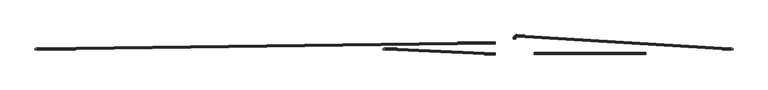
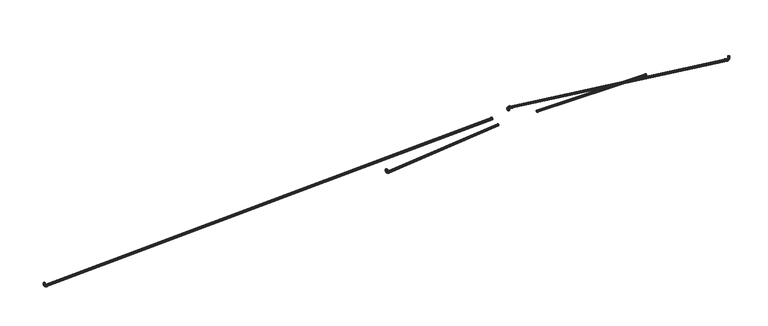
"""IFC4 building model written with IfcOpenShell, lengths in millimetres: furniture geometry."""

from ifc_helpers import new_model, si_unit, origin, place, context, project, spatial, triangles, source, transform, mapped, element, save


def furniture_a16567a5(model_context):
    return source(origin(), model_context, "Body", "Tessellation", [
        triangles([(-1327.6882908, 2.8514631, -105.7244424), (-1327.0947224, 3.153083, -104.2968406), (-1323.9364849, 3.153083, -104.9293147), (-1324.0877838, 2.8514631, -106.4454649), (-1328.1914577, 1.9925228, -106.9346974), (-1324.216119, 1.9925228, -107.7307971), (-1328.5276291, 0.7070277, -107.743369), (-1324.3018696, 0.7070277, -108.5896291), (-1328.6456451, -0.8093172, -108.027336), (-1324.331955, -0.8093172, -108.8912095), (-1328.5276291, -2.325662, -107.743369), (-1324.3018696, -2.325662, -108.5896291), (-1328.1914577, -3.6111571, -106.9346974), (-1324.216119, -3.6111571, -107.7307971), (-1327.6882908, -4.4700973, -105.7244424), (-1324.0877838, -4.4700973, -106.4454649), (-1327.0947224, -4.7717172, -104.2968406), (-1323.9364849, -4.7717172, -104.9293147), (-1326.5012993, -4.4700973, -102.8692479), (-1323.785186, -4.4700973, -103.4131645), (-1325.9981323, -3.6111571, -101.6589929), (-1323.6569962, -3.6111571, -102.1278414), (-1325.661961, -2.325662, -100.8503213), (-1323.5712456, -2.325662, -101.2690094), (-1325.5439449, -0.8093172, -100.5663543), (-1323.5411602, -0.8093172, -100.967429), (-1325.661961, 0.7070277, -100.8503213), (-1323.5712456, 0.7070277, -101.2690094), (-1325.9981323, 1.9925228, -101.6589929), (-1323.6569962, 1.9925228, -102.1278414), (-1326.5012993, 2.8514631, -102.8692479), (-1323.785186, 2.8514631, -103.4131645), (-1330.8652771, 2.8514631, -103.5957115), (-1329.7705765, 3.153083, -102.5039086), (-1331.7931274, 1.9925228, -104.5213), (-1332.4132931, 0.7070277, -105.1397579), (-1332.6310123, -0.8093172, -105.3569321), (-1332.4132931, -2.325662, -105.1397579), (-1331.7931274, -3.6111571, -104.5213), (-1330.8652771, -4.4700973, -103.5957115), (-1329.7705765, -4.7717172, -102.5039086), (-1328.6758759, -4.4700973, -101.4121057), (-1327.7478802, -3.6111571, -100.4865172), (-1327.1278599, -2.325662, -99.8680593), (-1326.9101406, -0.8093172, -99.6508851), (-1327.1278599, 0.7070277, -99.8680593), (-1327.7478802, 1.9925228, -100.4865172), (-1328.6758759, 2.8514631, -101.4121057), (-1332.9856419, 2.8514631, -100.413275), (-1331.556514, 3.153083, -99.8234763), (-1334.1971958, 1.9925228, -100.9132717), (-1335.0067394, 0.7070277, -101.2473719), (-1335.2910244, -0.8093172, -101.3646885), (-1335.0067394, -2.325662, -101.2473719), (-1334.1971958, -3.6111571, -100.9132717), (-1332.9856419, -4.4700973, -100.413275), (-1331.556514, -4.7717172, -99.8234763), (-1330.1273861, -4.4700973, -99.2336867), (-1328.9158321, -3.6111571, -98.7336809), (-1328.1062885, -2.325662, -98.3995897), (-1327.8220036, -0.8093172, -98.2822731), (-1328.1062885, 0.7070277, -98.3995897), (-1328.9158321, 1.9925228, -98.7336809), (-1330.1273861, 2.8514631, -99.2336867), (-1333.6973717, 2.8514631, -96.8109967), (-1332.1808945, 3.153083, -96.6636128), (-1334.983049, 1.9925228, -96.9359345), (-1335.8420082, 0.7070277, -97.0194142), (-1336.143734, -0.8093172, -97.0487365), (-1335.8420082, -2.325662, -97.0194142), (-1334.983049, -3.6111571, -96.9359345), (-1333.6973717, -4.4700973, -96.8109967), (-1332.1808945, -4.7717172, -96.6636128), (-1330.6642719, -4.4700973, -96.5162381), (-1329.3785946, -3.6111571, -96.3912912), (-1328.5196354, -2.325662, -96.3078115), (-1328.2179096, -0.8093172, -96.2784892), (-1328.5196354, 0.7070277, -96.3078115), (-1329.3785946, 1.9925228, -96.3912912), (-1330.6642719, 2.8514631, -96.5162381), (-1333.6749893, 2.8514631, -91.7647022), (-1332.1585121, 3.153083, -91.7666734), (-1334.960376, 1.9925228, -91.7630399), (-1335.8193352, 0.7070277, -91.7619226), (-1336.1209156, -0.8093172, -91.761532), (-1335.8193352, -2.325662, -91.7619226), (-1334.960376, -3.6111571, -91.7630399), (-1333.6749893, -4.4700973, -91.7647022), (-1332.1585121, -4.7717172, -91.7666734), (-1330.6421803, -4.4700973, -91.7686355), (-1329.3567936, -3.6111571, -91.7703069), (-1328.4978344, -2.325662, -91.7714242), (-1328.1961086, -0.8093172, -91.7718148), (-1328.4978344, 0.7070277, -91.7714242), (-1329.3567936, 1.9925228, -91.7703069), (-1330.6421803, 2.8514631, -91.7686355), (453.4001593, -15.4508238, -43.9244038), (453.3981608, -15.7524428, -45.4407447), (29.605147, 2.8514631, -106.4454649), (29.7564595, 3.153083, -104.9293147), (453.3964894, -16.6113839, -46.7262404), (29.4768686, 1.9925228, -107.7307971), (453.3953994, -17.8968784, -47.5851814), (29.3911566, 0.7070277, -108.5896291), (453.3949997, -19.4132227, -47.8867982), (29.3610576, -0.8093172, -108.8912095), (453.3953994, -20.9295682, -47.5851814), (29.3911566, -2.325662, -108.5896291), (453.3964894, -22.2150639, -46.7262404), (29.4768686, -3.6111571, -107.7307971), (453.3981608, -23.0740027, -45.4407447), (29.605147, -4.4700973, -106.4454649), (453.4001593, -23.375624, -43.9244038), (29.7564595, -4.7717172, -104.9293147), (453.4021214, -23.0740027, -42.4080583), (29.9077743, -4.4700973, -103.4131645), (453.4037928, -22.2150639, -41.1225626), (30.0360527, -3.6111571, -102.1278414), (453.4048828, -20.9295682, -40.2636261), (30.1217647, -2.325662, -101.2690094), (453.4052825, -19.4132227, -39.9620048), (30.1518637, -0.8093172, -100.967429), (453.4048828, -17.8968784, -40.2636261), (30.1217647, 0.7070277, -101.2690094), (453.4037928, -16.6113839, -41.1225626), (30.0360527, 1.9925228, -102.1278414), (453.4021214, -15.7524428, -42.4080583), (29.9077743, 2.8514631, -103.4131645), (26.0047263, 2.8514631, -105.7244424), (26.5982266, 3.153083, -104.2968406), (25.5015798, 1.9925228, -106.9346974), (25.165388, 0.7070277, -107.743369), (25.0473333, -0.8093172, -108.027336), (25.165388, -2.325662, -107.743369), (25.5015798, -3.6111571, -106.9346974), (26.0047263, -4.4700973, -105.7244424), (26.5982266, -4.7717172, -104.2968406), (27.1917269, -4.4700973, -102.8692479), (27.6948734, -3.6111571, -101.6589929), (28.0310652, -2.325662, -100.8503213), (28.1491198, -0.8093172, -100.5663543), (28.0310652, 0.7070277, -100.8503213), (27.6948734, 1.9925228, -101.6589929), (27.1917269, 2.8514631, -102.8692479), (22.8277945, 2.8514631, -103.5957115), (23.9224361, 3.153083, -102.5039086), (21.8998033, 1.9925228, -104.5213), (21.2797376, 0.7070277, -105.1397579), (21.0620002, -0.8093172, -105.3569321), (21.2797376, -2.325662, -105.1397579), (21.8998033, -3.6111571, -104.5213), (22.8277945, -4.4700973, -103.5957115), (23.9224361, -4.7717172, -102.5039086), (25.0170776, -4.4700973, -101.4121057), (25.9450688, -3.6111571, -100.4865172), (26.5651345, -2.325662, -99.8680593), (26.7828719, -0.8093172, -99.6508851), (26.5651345, 0.7070277, -99.8680593), (25.9450688, 1.9925228, -100.4865172), (25.0170776, 2.8514631, -101.4121057), (20.7073207, 2.8514631, -100.413275), (22.1364531, 3.153083, -99.8234763), (19.4957622, 1.9925228, -100.9132717), (18.6862231, 0.7070277, -101.2473719), (18.4019507, -0.8093172, -101.3646885), (18.6862231, -2.325662, -101.2473719), (19.4957622, -3.6111571, -100.9132717), (20.7073207, -4.4700973, -100.413275), (22.1364531, -4.7717172, -99.8234763), (23.5655856, -4.4700973, -99.2336867), (24.7771441, -3.6111571, -98.7336809), (25.5866831, -2.325662, -98.3995897), (25.8709545, -0.8093172, -98.2822731), (25.5866831, 0.7070277, -98.3995897), (24.7771441, 1.9925228, -98.7336809), (23.5655856, 2.8514631, -99.2336867), (19.9956409, 2.8514631, -96.8109967), (21.5121771, 3.153083, -96.6636128), (18.7099828, 1.9925228, -96.9359345), (17.8509328, 0.7070277, -97.0194142), (17.5492752, -0.8093172, -97.0487365), (17.8509328, -2.325662, -97.0194142), (18.7099828, -3.6111571, -96.9359345), (19.9956409, -4.4700973, -96.8109967), (21.5121771, -4.7717172, -96.6636128), (23.0287156, -4.4700973, -96.5162381), (24.3143748, -3.6111571, -96.3912912), (25.1734226, -2.325662, -96.3078115), (25.4750802, -0.8093172, -96.2784892), (25.1734226, 0.7070277, -96.3078115), (24.3143748, 1.9925228, -96.3912912), (23.0287156, 2.8514631, -96.5162381), (20.01808, 2.8514631, -91.7647022), (21.5344232, 3.153083, -91.7666734), (18.7325866, 1.9925228, -91.7630399), (17.8736467, 0.7070277, -91.7619226), (17.5720277, -0.8093172, -91.761532), (17.8736467, -2.325662, -91.7619226), (18.7325866, -3.6111571, -91.7630399), (20.01808, -4.4700973, -91.7647022), (21.5344232, -4.7717172, -91.7666734), (23.0507664, -4.4700973, -91.7686355), (24.3362621, -3.6111571, -91.7703069), (25.1952008, -2.325662, -91.7714242), (25.4968199, -0.8093172, -91.7718148), (25.1952008, 0.7070277, -91.7714242), (24.3362621, 1.9925228, -91.7703069), (23.0507664, 2.8514631, -91.7686355), (1370.7571735, -4.4700973, -105.7244424), (1370.1636051, -4.7717172, -104.2968406), (1367.0053677, -4.7717172, -104.9293147), (1367.1566666, -4.4700973, -106.4454649), (1371.2601952, -3.6111571, -106.9346974), (1367.2850018, -3.6111571, -107.7307971), (1371.5965118, -2.325662, -107.743369), (1367.3707523, -2.325662, -108.5896291), (1371.7145279, -0.8093172, -108.027336), (1367.4008377, -0.8093172, -108.8912095), (1371.5965118, 0.7070277, -107.743369), (1367.3707523, 0.7070277, -108.5896291), (1371.2601952, 1.9925228, -106.9346974), (1367.2850018, 1.9925228, -107.7307971), (1370.7571735, 2.8514631, -105.7244424), (1367.1566666, 2.8514631, -106.4454649), (1370.1636051, 3.153083, -104.2968406), (1367.0053677, 3.153083, -104.9293147), (1369.570182, 2.8514631, -102.8692479), (1366.8540688, 2.8514631, -103.4131645), (1369.0670151, 1.9925228, -101.6589929), (1366.7257336, 1.9925228, -102.1278414), (1368.7308437, 0.7070277, -100.8503213), (1366.6401283, 0.7070277, -101.2690094), (1368.6126823, -0.8093172, -100.5663543), (1366.610043, -0.8093172, -100.967429), (1368.7308437, -2.325662, -100.8503213), (1366.6401283, -2.325662, -101.2690094), (1369.0670151, -3.6111571, -101.6589929), (1366.7257336, -3.6111571, -102.1278414), (1369.570182, -4.4700973, -102.8692479), (1366.8540688, -4.4700973, -103.4131645), (1373.9340145, -4.4700973, -103.5957115), (1372.8394592, -4.7717172, -102.5039086), (1374.8620102, -3.6111571, -104.5213), (1375.4821758, -2.325662, -105.1397579), (1375.6998951, -0.8093172, -105.3569321), (1375.4821758, 0.7070277, -105.1397579), (1374.8620102, 1.9925228, -104.5213), (1373.9340145, 2.8514631, -103.5957115), (1372.8394592, 3.153083, -102.5039086), (1371.7447586, 2.8514631, -101.4121057), (1370.8167629, 1.9925228, -100.4865172), (1370.1967426, 0.7070277, -99.8680593), (1369.9790234, -0.8093172, -99.6508851), (1370.1967426, -2.325662, -99.8680593), (1370.8167629, -3.6111571, -100.4865172), (1371.7447586, -4.4700973, -101.4121057), (1376.0545246, -4.4700973, -100.413275), (1374.6253967, -4.7717172, -99.8234763), (1377.2660786, -3.6111571, -100.9132717), (1378.0756222, -2.325662, -101.2473719), (1378.3599072, -0.8093172, -101.3646885), (1378.0756222, 0.7070277, -101.2473719), (1377.2660786, 1.9925228, -100.9132717), (1376.0545246, 2.8514631, -100.413275), (1374.6253967, 3.153083, -99.8234763), (1373.1962688, 2.8514631, -99.2336867), (1371.9847149, 1.9925228, -98.7336809), (1371.1751713, 0.7070277, -98.3995897), (1370.8908863, -0.8093172, -98.2822731), (1371.1751713, -2.325662, -98.3995897), (1371.9847149, -3.6111571, -98.7336809), (1373.1962688, -4.4700973, -99.2336867), (1376.7662544, -4.4700973, -96.8109967), (1375.2496319, -4.7717172, -96.6636128), (1378.0519318, -3.6111571, -96.9359345), (1378.910891, -2.325662, -97.0194142), (1379.2126167, -0.8093172, -97.0487365), (1378.910891, 0.7070277, -97.0194142), (1378.0519318, 1.9925228, -96.9359345), (1376.7662544, 2.8514631, -96.8109967), (1375.2496319, 3.153083, -96.6636128), (1373.7331547, 2.8514631, -96.5162381), (1372.4474773, 1.9925228, -96.3912912), (1371.5883728, 0.7070277, -96.3078115), (1371.2867924, -0.8093172, -96.2784892), (1371.5883728, -2.325662, -96.3078115), (1372.4474773, -3.6111571, -96.3912912), (1373.7331547, -4.4700973, -96.5162381), (1376.7437267, -4.4700973, -91.7647022), (1375.2273949, -4.7717172, -91.7666734), (1378.0292587, -3.6111571, -91.7630399), (1378.8882179, -2.325662, -91.7619226), (1379.1897984, -0.8093172, -91.761532), (1378.8882179, 0.7070277, -91.7619226), (1378.0292587, 1.9925228, -91.7630399), (1376.7437267, 2.8514631, -91.7647022), (1375.2273949, 3.153083, -91.7666734), (1373.711063, 2.8514631, -91.7686355), (1372.425531, 1.9925228, -91.7703069), (1371.5665718, 0.7070277, -91.7714242), (1371.2649914, -0.8093172, -91.7718148), (1371.5665718, -2.325662, -91.7714242), (1372.425531, -3.6111571, -91.7703069), (1373.711063, -4.4700973, -91.7686355), (605.8177454, -21.7909482, -42.3306057), (605.8197075, -21.4893269, -43.8469512), (1039.0019875, -21.4893269, -43.8344656), (1039.0028595, -21.7909482, -42.3183154), (605.8213789, -20.6303882, -45.1324423), (1039.0017694, -20.6303882, -45.1197977), (605.8225053, -19.3448925, -45.9913833), (1039.0018421, -19.3448925, -45.9786252), (605.8228686, -17.828547, -46.2930046), (1039.0030048, -17.828547, -46.2802056), (605.8225053, -16.3122027, -45.9913833), (1039.0018421, -16.3122027, -45.9786252), (605.8213789, -15.026707, -45.1324423), (1039.0017694, -15.026707, -45.1197977), (605.8197075, -14.1677671, -43.8469512), (1039.0019875, -14.1677671, -43.8344656), (605.8177454, -13.8661469, -42.3306057), (1039.0028595, -13.8661469, -42.3183154), (605.8157833, -14.1677671, -40.8142647), (1039.0032955, -14.1677671, -40.8021652), (605.8141119, -15.026707, -39.5287691), (1039.0045309, -15.026707, -39.5168376), (605.8129855, -16.3122027, -38.669828), (1039.0028595, -16.3122027, -38.6580055), (605.8125858, -17.828547, -38.3682113), (1039.0028595, -17.828547, -38.3564251), (605.8129855, -19.3448925, -38.669828), (1039.0028595, -19.3448925, -38.6580055), (605.8141119, -20.6303882, -39.5287691), (1039.0045309, -20.6303882, -39.5168376), (605.8157833, -21.4893269, -40.8142647), (1039.0032955, -21.4893269, -40.8021652), (453.4146933, 26.6534626, -43.8434085), (453.4127312, 26.3518435, -45.3597495), (453.4110598, 25.4929025, -46.6452451), (453.4099697, 24.2074069, -47.5041816), (453.40957, 22.6910636, -47.8058029), (453.4099697, 21.1747181, -47.5041816), (453.4110598, 19.8892225, -46.6452451), (453.4127312, 19.0302826, -45.3597495), (453.4146933, 18.7286624, -43.8434085), (453.4166917, 19.0302826, -42.327063), (453.4183631, 19.8892225, -41.0415674), (453.4194531, 21.1747181, -40.1826309), (453.4198528, 22.6910636, -39.8810096), (453.4194531, 24.2074069, -40.1826309), (453.4183631, 25.4929025, -41.0415674), (453.4166917, 26.3518435, -42.327063), (540.1589988, 46.7389531, -43.4736046), (540.1609609, 47.0405744, -44.9899501), (540.1626323, 47.8995154, -46.2754457), (540.1637587, 49.1850111, -47.1343822), (540.164122, 50.7013566, -47.4360035), (540.1637587, 52.217702, -47.1343822), (540.1626323, 53.5031932, -46.2754457), (540.1609609, 54.3621342, -44.9899501), (540.1589988, 54.6637555, -43.4736046), (540.1570367, 54.3621342, -41.9572636), (540.1553653, 53.5031932, -40.671768), (540.1542389, 52.217702, -39.8128315), (540.1538392, 50.7013566, -39.5112102), (540.1542389, 49.1850111, -39.8128315), (540.1553653, 47.8995154, -40.671768), (540.1570367, 47.0405744, -41.9572636), (540.208378, 50.9446965, -38.7889296), (540.2060163, 52.7643075, -39.1508761), (537.9926339, 52.7493284, -39.1508761), (538.1742362, 50.9299491, -38.7889296), (540.2040178, 54.3069005, -40.1816044), (537.8387189, 54.2917215, -40.1816044), (540.2026734, 55.3376288, -41.7241974), (537.7358545, 55.3223181, -41.7241974), (540.2022011, 55.6995707, -43.5438129), (537.6997375, 55.6842147, -43.5438129), (540.2026734, 55.3376288, -45.3634238), (537.7358545, 55.3223181, -45.3634238), (540.2040178, 54.3069005, -46.9060214), (537.8387189, 54.2917215, -46.9060214), (540.2060163, 52.7643075, -47.9367497), (537.9926339, 52.7493284, -47.9367497), (540.208378, 50.9446965, -48.2986916), (538.1742362, 50.9299491, -48.2986916), (540.2107398, 49.125081, -47.9367497), (538.3558022, 49.1105698, -47.9367497), (540.2127382, 47.5824926, -46.9060214), (538.5097535, 47.5681721, -46.9060214), (540.2140826, 46.5517643, -45.3634238), (538.6125815, 46.5375755, -45.3634238), (540.214555, 46.1898178, -43.5438129), (538.6486985, 46.1756789, -43.5438129), (540.2140826, 46.5517643, -41.7241974), (538.6125815, 46.5375755, -41.7241974), (540.2127382, 47.5824926, -40.1816044), (538.5097535, 47.5681721, -40.1816044), (540.2107398, 49.125081, -39.1508761), (538.3558022, 49.1105698, -39.1508761), (533.6721491, 51.8840969, -39.1508761), (534.3843513, 50.1709792, -38.7889296), (533.0683705, 53.3364065, -40.1816044), (532.6649431, 54.3068096, -41.7241974), (532.523273, 54.6475683, -43.5438129), (532.6649431, 54.3068096, -45.3634238), (533.0683705, 53.3364065, -46.9060214), (533.6721491, 51.8840969, -47.9367497), (534.3843513, 50.1709792, -48.2986916), (535.0965534, 48.4578661, -47.9367497), (535.700332, 47.0055565, -46.9060214), (536.1037594, 46.0351534, -45.3634238), (536.2454295, 45.6943947, -43.5438129), (536.1037594, 46.0351534, -41.7241974), (535.700332, 47.0055565, -40.1816044), (535.0965534, 48.4578661, -39.1508761), (529.8598454, 49.3296289, -39.1508761), (531.1733917, 48.0194618, -38.7889296), (528.7462506, 50.4403305, -40.1816044), (528.0021463, 51.1824818, -41.7241974), (527.7408614, 51.44309, -43.5438129), (528.0021463, 51.1824818, -45.3634238), (528.7462506, 50.4403305, -46.9060214), (529.8598454, 49.3296289, -47.9367497), (531.1733917, 48.0194618, -48.2986916), (532.4869743, 46.7092946, -47.9367497), (533.6005692, 45.598593, -46.9060214), (534.3446371, 44.8564417, -45.3634238), (534.605922, 44.5958335, -43.5438129), (534.3446371, 44.8564417, -41.7241974), (533.6005692, 45.598593, -40.1816044), (532.4869743, 46.7092946, -39.1508761), (527.3152697, 45.5106941, -39.1508761), (529.0302086, 44.8029384, -38.7889296), (525.8613976, 46.1106984, -40.1816044), (524.8899453, 46.5116096, -41.7241974), (524.5488324, 46.6523895, -43.5438129), (524.8899453, 46.5116096, -45.3634238), (525.8613976, 46.1106984, -46.9060214), (527.3152697, 45.5106941, -47.9367497), (529.0302086, 44.8029384, -48.2986916), (530.7451838, 44.0951873, -47.9367497), (532.1990559, 43.495183, -46.9060214), (533.1705082, 43.0942718, -45.3634238), (533.5116211, 42.9534919, -43.5438129), (533.1705082, 43.0942718, -41.7241974), (532.1990559, 43.495183, -40.1816044), (530.7451838, 44.0951873, -39.1508761), (526.461252, 41.1879565, -39.1508761), (528.2810901, 41.011105, -38.7889296), (524.9184683, 41.3378883, -40.1816044), (523.8876082, 41.4380684, -41.7241974), (523.5256027, 41.4732498, -43.5438129), (523.8876082, 41.4380684, -45.3634238), (524.9184683, 41.3378883, -46.9060214), (526.461252, 41.1879565, -47.9367497), (528.2810901, 41.011105, -48.2986916), (530.1009281, 40.834249, -47.9367497), (531.6437119, 40.6843172, -46.9060214), (532.6745719, 40.5841371, -45.3634238), (533.0365774, 40.5489603, -43.5438129), (532.6745719, 40.5841371, -41.7241974), (531.6437119, 40.6843172, -40.1816044), (530.1009281, 40.834249, -39.1508761), (526.4881763, 39.3699988, -39.1508761), (528.3077963, 39.3723606, -38.7889296), (524.9455742, 39.3680004, -40.1816044), (523.9148595, 39.3666605, -41.7241974), (523.5528903, 39.3661927, -43.5438129), (523.9148595, 39.3666605, -45.3634238), (524.9455742, 39.3680004, -46.9060214), (526.4881763, 39.3699988, -47.9367497), (528.3077963, 39.3723606, -48.2986916), (530.12738, 39.3747223, -47.9367497), (531.6699821, 39.3767253, -46.9060214), (532.7007331, 39.3780606, -45.3634238), (533.0626659, 39.3785284, -43.5438129), (532.7007331, 39.3780606, -41.7241974), (531.6699821, 39.3767253, -40.1816044), (530.12738, 39.3747223, -39.1508761)], [[1, 2, 3], [1, 3, 4], [5, 1, 4], [5, 4, 6], [7, 5, 6], [7, 6, 8], [9, 7, 8], [9, 8, 10], [11, 9, 12], [9, 10, 12], [13, 11, 14], [11, 12, 14], [15, 13, 16], [13, 14, 16], [17, 15, 18], [15, 16, 18], [19, 17, 20], [17, 18, 20], [21, 19, 22], [19, 20, 22], [23, 21, 24], [21, 22, 24], [25, 23, 26], [23, 24, 26], [27, 25, 26], [27, 26, 28], [29, 27, 28], [29, 28, 30], [31, 29, 30], [31, 30, 32], [2, 31, 32], [2, 32, 3], [33, 34, 2], [33, 2, 1], [35, 33, 1], [35, 1, 5], [36, 35, 5], [36, 5, 7], [37, 36, 7], [37, 7, 9], [38, 37, 11], [37, 9, 11], [39, 38, 11], [39, 11, 13], [40, 39, 13], [40, 13, 15], [41, 40, 15], [41, 15, 17], [42, 41, 17], [42, 17, 19], [43, 42, 21], [42, 19, 21], [44, 43, 23], [43, 21, 23], [45, 44, 25], [44, 23, 25], [46, 45, 25], [46, 25, 27], [47, 46, 27], [47, 27, 29], [48, 47, 29], [48, 29, 31], [34, 48, 31], [34, 31, 2], [49, 50, 34], [49, 34, 33], [51, 49, 33], [51, 33, 35], [52, 51, 35], [52, 35, 36], [53, 52, 36], [53, 36, 37], [54, 53, 37], [54, 37, 38], [55, 54, 38], [55, 38, 39], [56, 55, 39], [56, 39, 40], [57, 56, 40], [57, 40, 41], [58, 57, 41], [58, 41, 42], [59, 58, 42], [59, 42, 43], [60, 59, 43], [60, 43, 44], [61, 60, 45], [60, 44, 45], [62, 61, 45], [62, 45, 46], [63, 62, 46], [63, 46, 47], [64, 63, 47], [64, 47, 48], [50, 64, 48], [50, 48, 34], [65, 66, 50], [65, 50, 49], [67, 65, 49], [67, 49, 51], [68, 67, 51], [68, 51, 52], [69, 68, 52], [69, 52, 53], [70, 69, 53], [70, 53, 54], [71, 70, 54], [71, 54, 55], [72, 71, 55], [72, 55, 56], [73, 72, 56], [73, 56, 57], [74, 73, 57], [74, 57, 58], [75, 74, 58], [75, 58, 59], [76, 75, 59], [76, 59, 60], [77, 76, 60], [77, 60, 61], [78, 77, 61], [78, 61, 62], [79, 78, 62], [79, 62, 63], [80, 79, 63], [80, 63, 64], [66, 80, 64], [66, 64, 50], [81, 82, 66], [81, 66, 65], [83, 81, 65], [83, 65, 67], [84, 83, 67], [84, 67, 68], [85, 84, 69], [84, 68, 69], [86, 85, 69], [86, 69, 70], [87, 86, 70], [87, 70, 71], [88, 87, 71], [88, 71, 72], [89, 88, 72], [89, 72, 73], [90, 89, 73], [90, 73, 74], [91, 90, 74], [91, 74, 75], [92, 91, 75], [92, 75, 76], [93, 92, 76], [93, 76, 77], [94, 93, 77], [94, 77, 78], [95, 94, 78], [95, 78, 79], [96, 95, 79], [96, 79, 80], [82, 96, 80], [82, 80, 66], [97, 98, 99], [97, 99, 100], [98, 101, 102], [98, 102, 99], [101, 103, 104], [101, 104, 102], [103, 105, 106], [103, 106, 104], [105, 107, 108], [105, 108, 106], [107, 109, 110], [107, 110, 108], [109, 111, 112], [109, 112, 110], [111, 113, 114], [111, 114, 112], [113, 115, 116], [113, 116, 114], [115, 117, 118], [115, 118, 116], [117, 119, 120], [117, 120, 118], [119, 121, 122], [119, 122, 120], [121, 123, 124], [121, 124, 122], [123, 125, 126], [123, 126, 124], [125, 127, 128], [125, 128, 126], [127, 97, 100], [127, 100, 128], [129, 130, 99], [130, 100, 99], [131, 129, 102], [129, 99, 102], [132, 131, 104], [131, 102, 104], [133, 132, 106], [132, 104, 106], [134, 133, 106], [134, 106, 108], [135, 134, 108], [135, 108, 110], [136, 135, 110], [136, 110, 112], [137, 136, 112], [137, 112, 114], [138, 137, 114], [138, 114, 116], [139, 138, 116], [139, 116, 118], [140, 139, 118], [140, 118, 120], [141, 140, 120], [141, 120, 122], [142, 141, 122], [142, 122, 124], [143, 142, 126], [142, 124, 126], [144, 143, 128], [143, 126, 128], [130, 144, 100], [144, 128, 100], [145, 146, 129], [146, 130, 129], [147, 145, 131], [145, 129, 131], [148, 147, 132], [147, 131, 132], [149, 148, 132], [149, 132, 133], [150, 149, 133], [150, 133, 134], [151, 150, 134], [151, 134, 135], [152, 151, 135], [152, 135, 136], [153, 152, 136], [153, 136, 137], [154, 153, 137], [154, 137, 138], [155, 154, 138], [155, 138, 139], [156, 155, 139], [156, 139, 140], [157, 156, 140], [157, 140, 141], [158, 157, 141], [158, 141, 142], [159, 158, 142], [159, 142, 143], [160, 159, 144], [159, 143, 144], [146, 160, 130], [160, 144, 130], [161, 162, 146], [161, 146, 145], [163, 161, 145], [163, 145, 147], [164, 163, 147], [164, 147, 148], [165, 164, 148], [165, 148, 149], [166, 165, 149], [166, 149, 150], [167, 166, 150], [167, 150, 151], [168, 167, 151], [168, 151, 152], [169, 168, 152], [169, 152, 153], [170, 169, 153], [170, 153, 154], [171, 170, 154], [171, 154, 155], [172, 171, 155], [172, 155, 156], [173, 172, 156], [173, 156, 157], [174, 173, 157], [174, 157, 158], [175, 174, 158], [175, 158, 159], [176, 175, 159], [176, 159, 160], [162, 176, 160], [162, 160, 146], [177, 178, 162], [177, 162, 161], [179, 177, 161], [179, 161, 163], [180, 179, 163], [180, 163, 164], [181, 180, 164], [181, 164, 165], [182, 181, 165], [182, 165, 166], [183, 182, 166], [183, 166, 167], [184, 183, 167], [184, 167, 168], [185, 184, 168], [185, 168, 169], [186, 185, 169], [186, 169, 170], [187, 186, 170], [187, 170, 171], [188, 187, 171], [188, 171, 172], [189, 188, 172], [189, 172, 173], [190, 189, 173], [190, 173, 174], [191, 190, 174], [191, 174, 175], [192, 191, 175], [192, 175, 176], [178, 192, 176], [178, 176, 162], [193, 194, 178], [193, 178, 177], [195, 193, 177], [195, 177, 179], [196, 195, 179], [196, 179, 180], [197, 196, 180], [197, 180, 181], [198, 197, 181], [198, 181, 182], [199, 198, 182], [199, 182, 183], [200, 199, 183], [200, 183, 184], [201, 200, 184], [201, 184, 185], [202, 201, 185], [202, 185, 186], [203, 202, 186], [203, 186, 187], [204, 203, 187], [204, 187, 188], [205, 204, 188], [205, 188, 189], [206, 205, 189], [206, 189, 190], [207, 206, 190], [207, 190, 191], [208, 207, 191], [208, 191, 192], [194, 208, 192], [194, 192, 178], [209, 210, 211], [209, 211, 212], [213, 209, 212], [213, 212, 214], [215, 213, 214], [215, 214, 216], [217, 215, 216], [217, 216, 218], [219, 217, 220], [217, 218, 220], [221, 219, 222], [219, 220, 222], [223, 221, 224], [221, 222, 224], [225, 223, 226], [223, 224, 226], [227, 225, 228], [225, 226, 228], [229, 227, 230], [227, 228, 230], [231, 229, 232], [229, 230, 232], [233, 231, 234], [231, 232, 234], [235, 233, 234], [235, 234, 236], [237, 235, 236], [237, 236, 238], [239, 237, 238], [239, 238, 240], [210, 239, 240], [210, 240, 211], [241, 242, 210], [241, 210, 209], [243, 241, 209], [243, 209, 213], [244, 243, 213], [244, 213, 215], [245, 244, 215], [245, 215, 217], [246, 245, 219], [245, 217, 219], [247, 246, 219], [247, 219, 221], [248, 247, 221], [248, 221, 223], [249, 248, 223], [249, 223, 225], [250, 249, 225], [250, 225, 227], [251, 250, 229], [250, 227, 229], [252, 251, 231], [251, 229, 231], [253, 252, 233], [252, 231, 233], [254, 253, 233], [254, 233, 235], [255, 254, 235], [255, 235, 237], [256, 255, 237], [256, 237, 239], [242, 256, 239], [242, 239, 210], [257, 258, 242], [257, 242, 241], [259, 257, 241], [259, 241, 243], [260, 259, 243], [260, 243, 244], [261, 260, 244], [261, 244, 245], [262, 261, 245], [262, 245, 246], [263, 262, 246], [263, 246, 247], [264, 263, 247], [264, 247, 248], [265, 264, 248], [265, 248, 249], [266, 265, 249], [266, 249, 250], [267, 266, 250], [267, 250, 251], [268, 267, 251], [268, 251, 252], [269, 268, 253], [268, 252, 253], [270, 269, 253], [270, 253, 254], [271, 270, 254], [271, 254, 255], [272, 271, 255], [272, 255, 256], [258, 272, 256], [258, 256, 242], [273, 274, 258], [273, 258, 257], [275, 273, 257], [275, 257, 259], [276, 275, 259], [276, 259, 260], [277, 276, 260], [277, 260, 261], [278, 277, 261], [278, 261, 262], [279, 278, 262], [279, 262, 263], [280, 279, 263], [280, 263, 264], [281, 280, 264], [281, 264, 265], [282, 281, 265], [282, 265, 266], [283, 282, 266], [283, 266, 267], [284, 283, 267], [284, 267, 268], [285, 284, 268], [285, 268, 269], [286, 285, 269], [286, 269, 270], [287, 286, 270], [287, 270, 271], [288, 287, 271], [288, 271, 272], [274, 288, 272], [274, 272, 258], [289, 290, 274], [289, 274, 273], [291, 289, 273], [291, 273, 275], [292, 291, 275], [292, 275, 276], [293, 292, 277], [292, 276, 277], [294, 293, 277], [294, 277, 278], [295, 294, 278], [295, 278, 279], [296, 295, 279], [296, 279, 280], [297, 296, 280], [297, 280, 281], [298, 297, 281], [298, 281, 282], [299, 298, 282], [299, 282, 283], [300, 299, 283], [300, 283, 284], [301, 300, 284], [301, 284, 285], [302, 301, 285], [302, 285, 286], [303, 302, 286], [303, 286, 287], [304, 303, 287], [304, 287, 288], [290, 304, 288], [290, 288, 274], [305, 306, 307], [305, 307, 308], [306, 309, 310], [306, 310, 307], [309, 311, 312], [309, 312, 310], [311, 313, 312], [313, 314, 312], [313, 315, 314], [315, 316, 314], [315, 317, 316], [317, 318, 316], [317, 319, 318], [319, 320, 318], [319, 321, 320], [321, 322, 320], [321, 323, 322], [323, 324, 322], [323, 325, 324], [325, 326, 324], [325, 327, 326], [327, 328, 326], [327, 329, 330], [327, 330, 328], [329, 331, 332], [329, 332, 330], [331, 333, 334], [331, 334, 332], [333, 335, 336], [333, 336, 334], [335, 305, 308], [335, 308, 336], [337, 338, 4], [337, 4, 3], [338, 339, 6], [338, 6, 4], [339, 340, 8], [339, 8, 6], [340, 341, 10], [340, 10, 8], [341, 342, 12], [341, 12, 10], [342, 343, 14], [342, 14, 12], [343, 344, 16], [343, 16, 14], [344, 345, 18], [344, 18, 16], [345, 346, 20], [345, 20, 18], [346, 347, 22], [346, 22, 20], [347, 348, 24], [347, 24, 22], [348, 349, 26], [348, 26, 24], [349, 350, 28], [349, 28, 26], [350, 351, 30], [350, 30, 28], [351, 352, 32], [351, 32, 30], [352, 337, 3], [352, 3, 32], [353, 354, 212], [353, 212, 211], [354, 355, 214], [354, 214, 212], [355, 356, 216], [355, 216, 214], [356, 357, 218], [356, 218, 216], [357, 358, 220], [357, 220, 218], [358, 359, 222], [358, 222, 220], [359, 360, 224], [359, 224, 222], [360, 361, 226], [360, 226, 224], [361, 362, 228], [361, 228, 226], [362, 363, 230], [362, 230, 228], [363, 364, 232], [363, 232, 230], [364, 365, 234], [364, 234, 232], [365, 366, 236], [365, 236, 234], [366, 367, 238], [366, 238, 236], [367, 368, 240], [367, 240, 238], [368, 353, 211], [368, 211, 240], [369, 370, 371], [369, 371, 372], [370, 373, 374], [370, 374, 371], [373, 375, 376], [373, 376, 374], [375, 377, 378], [375, 378, 376], [377, 379, 380], [377, 380, 378], [379, 381, 382], [379, 382, 380], [381, 383, 384], [381, 384, 382], [383, 385, 386], [383, 386, 384], [385, 387, 388], [385, 388, 386], [387, 389, 390], [387, 390, 388], [389, 391, 392], [389, 392, 390], [391, 393, 394], [391, 394, 392], [393, 395, 396], [393, 396, 394], [395, 397, 398], [395, 398, 396], [397, 399, 400], [397, 400, 398], [399, 369, 372], [399, 372, 400], [401, 402, 372], [401, 372, 371], [403, 401, 371], [403, 371, 374], [404, 403, 374], [404, 374, 376], [405, 404, 376], [405, 376, 378], [406, 405, 378], [406, 378, 380], [407, 406, 380], [407, 380, 382], [408, 407, 382], [408, 382, 384], [409, 408, 384], [409, 384, 386], [410, 409, 386], [410, 386, 388], [411, 410, 388], [411, 388, 390], [412, 411, 390], [412, 390, 392], [413, 412, 392], [413, 392, 394], [414, 413, 394], [414, 394, 396], [415, 414, 396], [415, 396, 398], [416, 415, 398], [416, 398, 400], [402, 416, 400], [402, 400, 372], [417, 418, 402], [417, 402, 401], [419, 417, 401], [419, 401, 403], [420, 419, 403], [420, 403, 404], [421, 420, 404], [421, 404, 405], [422, 421, 405], [422, 405, 406], [423, 422, 407], [422, 406, 407], [424, 423, 408], [423, 407, 408], [425, 424, 409], [424, 408, 409], [426, 425, 409], [426, 409, 410], [427, 426, 410], [427, 410, 411], [428, 427, 411], [428, 411, 412], [429, 428, 412], [429, 412, 413], [430, 429, 413], [430, 413, 414], [431, 430, 414], [431, 414, 415], [432, 431, 415], [432, 415, 416], [418, 432, 416], [418, 416, 402], [433, 434, 418], [433, 418, 417], [435, 433, 417], [435, 417, 419], [436, 435, 419], [436, 419, 420], [437, 436, 420], [437, 420, 421], [438, 437, 422], [437, 421, 422], [439, 438, 423], [438, 422, 423], [440, 439, 424], [439, 423, 424], [441, 440, 425], [440, 424, 425], [442, 441, 426], [441, 425, 426], [443, 442, 427], [442, 426, 427], [444, 443, 427], [444, 427, 428], [445, 444, 428], [445, 428, 429], [446, 445, 429], [446, 429, 430], [447, 446, 430], [447, 430, 431], [448, 447, 431], [448, 431, 432], [434, 448, 432], [434, 432, 418], [449, 450, 434], [449, 434, 433], [451, 449, 433], [451, 433, 435], [452, 451, 435], [452, 435, 436], [453, 452, 436], [453, 436, 437], [454, 453, 438], [453, 437, 438], [455, 454, 439], [454, 438, 439], [456, 455, 440], [455, 439, 440], [457, 456, 441], [456, 440, 441], [458, 457, 442], [457, 441, 442], [459, 458, 443], [458, 442, 443], [460, 459, 444], [459, 443, 444], [461, 460, 444], [461, 444, 445], [462, 461, 445], [462, 445, 446], [463, 462, 446], [463, 446, 447], [464, 463, 447], [464, 447, 448], [450, 464, 448], [450, 448, 434], [465, 466, 450], [465, 450, 449], [467, 465, 449], [467, 449, 451], [468, 467, 451], [468, 451, 452], [469, 468, 452], [469, 452, 453], [470, 469, 453], [470, 453, 454], [471, 470, 454], [471, 454, 455], [472, 471, 455], [472, 455, 456], [473, 472, 456], [473, 456, 457], [474, 473, 457], [474, 457, 458], [475, 474, 458], [475, 458, 459], [476, 475, 459], [476, 459, 460], [477, 476, 460], [477, 460, 461], [478, 477, 461], [478, 461, 462], [479, 478, 462], [479, 462, 463], [480, 479, 463], [480, 463, 464], [466, 480, 464], [466, 464, 450]], closed=False),
    ])


if __name__ == "__main__":
    model = new_model("IFC4")
    model_context = context("Model", 3, world=origin())
    ifc_project = project(units=[si_unit("LENGTHUNIT", "METRE", prefix="MILLI")], contexts=[model_context])
    site = spatial("IfcSite", under=ifc_project)
    building = spatial("IfcBuilding", under=site)
    placement = place(None, origin())
    furniture_shape = furniture_a16567a5(model_context)
    element("IfcFurniture", 1, at=placement, inside=building, context=model_context, shape_type="MappedRepresentation", body=[
        mapped(furniture_shape, transform((0.0, 0.0, 0.0), x_axis=(1.0, 0.0, 0.0), y_axis=(0.0, 1.0, 0.0), z_axis=(0.0, 0.0, 1.0))),
    ])
    save(model, "model.ifc")
